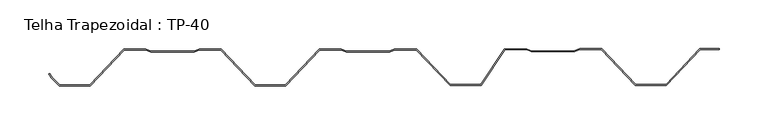
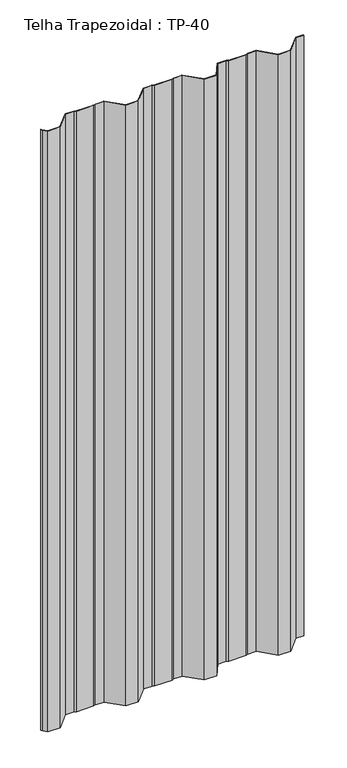
"""IFC4 building model written with IfcOpenShell, lengths in millimetres: proxy geometry, Telha Trapezoidal : TP-40."""

import ifcopenshell
import ifcopenshell.guid

model = None  # the IFC model being written
_history = None  # IfcOwnerHistory: only IFC2X3 demands one
_inside = {}  # id of a spatial element -> (the spatial element, [elements in it])
_under = {}  # id of a project, library or spatial element -> (it, [spatial elements below it])
_declared = {}  # id of a project -> (the project, [libraries it declares])
_typed = {}  # id of a type object -> (the type object, [elements of that type])
_made_of = {}  # id of a material, layer set ... -> (it, [elements and type objects made of it])


def new_model(schema):
    """Start an empty IFC model of exactly this schema.

    Asked for "IFC4X3", IfcOpenShell would pick the latest addendum, in which some entities
    have other attributes; the version numbers below select the first issue.
    IFC2X3 requires an IfcOwnerHistory on every rooted entity: one is made here for all.
    """
    global model, _history
    if schema == "IFC4X3":
        model = ifcopenshell.file(schema_version=(4, 3, 0, 0))
    else:
        model = ifcopenshell.file(schema=schema)
    _inside.clear()
    _under.clear()
    _declared.clear()
    _typed.clear()
    _made_of.clear()
    _history = None
    if model.schema == "IFC2X3":
        org = make("IfcOrganization", Name="unknown")
        user = make(
            "IfcPersonAndOrganization",
            ThePerson=make("IfcPerson", FamilyName="unknown"),
            TheOrganization=org,
        )
        app = make(
            "IfcApplication",
            ApplicationDeveloper=org,
            Version="unknown",
            ApplicationFullName="unknown",
            ApplicationIdentifier="unknown",
        )
        _history = make(
            "IfcOwnerHistory",
            OwningUser=user,
            OwningApplication=app,
            ChangeAction="ADDED",
            CreationDate=0,
        )
    return model


def make(cls, **values):
    """One entity of the class cls with the attributes given. An attribute that is None is left unset."""
    return model.create_entity(
        cls, **{name: value for name, value in values.items() if value is not None}
    )


def rooted(cls, **values):
    """An entity with a GlobalId (a new one), such as an element, a storey or a relation."""
    return make(cls, GlobalId=ifcopenshell.guid.new(), OwnerHistory=_history, **values)


def si_unit(unit_type, name, prefix=None):
    """IfcSIUnit, for example si_unit("LENGTHUNIT", "METRE", prefix="MILLI")."""
    return make("IfcSIUnit", UnitType=unit_type, Prefix=prefix, Name=name)


def assignment(units):
    """IfcUnitAssignment: the units of a project."""
    return None if units is None else make("IfcUnitAssignment", Units=units)


def point(xyz):
    """IfcCartesianPoint."""
    return None if xyz is None else make("IfcCartesianPoint", Coordinates=xyz)


def direction(xyz):
    """IfcDirection."""
    return None if xyz is None else make("IfcDirection", DirectionRatios=xyz)


def frame(location, z_axis=None, x_axis=None):
    """IfcAxis2Placement3D, a coordinate frame: its origin and axes. An axis left out is left unset."""
    return make(
        "IfcAxis2Placement3D",
        Location=point(location),
        Axis=direction(z_axis),
        RefDirection=direction(x_axis),
    )


def origin():
    """The frame at (0, 0, 0) with its axes left unset."""
    return frame((0.0, 0.0, 0.0))


def origin_with_axes():
    """The frame at (0, 0, 0) with the z axis (0, 0, 1) and the x axis (1, 0, 0) written out."""
    return frame((0.0, 0.0, 0.0), z_axis=(0.0, 0.0, 1.0), x_axis=(1.0, 0.0, 0.0))


def place(relative_to, where):
    """IfcLocalPlacement: puts the frame where relative to a parent placement (None: the world)."""
    return make(
        "IfcLocalPlacement", PlacementRelTo=relative_to, RelativePlacement=where
    )


def context(
    kind, dimensions, precision=None, world=None, true_north=None, identifier=None
):
    """IfcGeometricRepresentationContext, for example the 3D "Model" context."""
    return make(
        "IfcGeometricRepresentationContext",
        ContextIdentifier=identifier,
        ContextType=kind,
        CoordinateSpaceDimension=dimensions,
        Precision=precision,
        WorldCoordinateSystem=world,
        TrueNorth=true_north,
    )


def project(units=None, contexts=None):
    """IfcProject with its units and contexts."""
    return rooted(
        "IfcProject",
        Name="project",
        RepresentationContexts=contexts,
        UnitsInContext=assignment(units),
    )


def spatial(cls, under=None, at=None, **own):
    """A site, building, storey or space (cls), placed at a placement, below another one or the project."""
    s = rooted(cls, ObjectPlacement=at, **own)
    if under is not None:
        _under.setdefault(under.id(), (under, []))[1].append(s)
    return s


def polyline(points):
    """IfcPolyline through the points."""
    return make("IfcPolyline", Points=[point(p) for p in points])


def outline(outer, holes=None, kind="AREA"):
    """IfcArbitraryClosedProfileDef: a profile drawn as a closed curve; with holes, ...WithVoids."""
    if holes is None:
        return make("IfcArbitraryClosedProfileDef", ProfileType=kind, OuterCurve=outer)
    return make(
        "IfcArbitraryProfileDefWithVoids",
        ProfileType=kind,
        OuterCurve=outer,
        InnerCurves=holes,
    )


def extrude(swept, where, along, depth):
    """IfcExtrudedAreaSolid: the profile swept, set in the frame where, extruded along a direction by depth."""
    return make(
        "IfcExtrudedAreaSolid",
        SweptArea=swept,
        Position=where,
        ExtrudedDirection=direction(along),
        Depth=depth,
    )


def shape(context_of_items, identifier, shape_type, items):
    """IfcShapeRepresentation: the items that make up one representation, for example the "Body"."""
    return make(
        "IfcShapeRepresentation",
        ContextOfItems=context_of_items,
        RepresentationIdentifier=identifier,
        RepresentationType=shape_type,
        Items=items,
    )


def source(mapping_origin, context_of_items, identifier, shape_type, items):
    """IfcRepresentationMap: a shape defined once, which mapped items show again and again."""
    return make(
        "IfcRepresentationMap",
        MappingOrigin=mapping_origin,
        MappedRepresentation=shape(context_of_items, identifier, shape_type, items),
    )


def transform(
    local_origin,
    x_axis=None,
    y_axis=None,
    z_axis=None,
    scale=None,
    scale2=None,
    scale3=None,
    uniform=True,
):
    """IfcCartesianTransformationOperator3D, or its non-uniform kind. x_axis, y_axis, z_axis: its Axis1, 2, 3."""
    if uniform:
        return make(
            "IfcCartesianTransformationOperator3D",
            Axis1=direction(x_axis),
            Axis2=direction(y_axis),
            LocalOrigin=point(local_origin),
            Scale=scale,
            Axis3=direction(z_axis),
        )
    return make(
        "IfcCartesianTransformationOperator3DnonUniform",
        Axis1=direction(x_axis),
        Axis2=direction(y_axis),
        LocalOrigin=point(local_origin),
        Scale=scale,
        Axis3=direction(z_axis),
        Scale2=scale2,
        Scale3=scale3,
    )


def mapped(mapping_source, mapping_target):
    """IfcMappedItem: shows the shape of a source again, moved by a transform."""
    return make(
        "IfcMappedItem", MappingSource=mapping_source, MappingTarget=mapping_target
    )


def made_of(thing, what):
    """Note that an element or type object is made of a material, layer set ...; save() writes the relation."""
    if what is not None:
        _made_of.setdefault(what.id(), (what, []))[1].append(thing)
    return thing


def element(
    cls,
    number,
    at=None,
    inside=None,
    cuts=None,
    type_object=None,
    material=None,
    context=None,
    identifier="Body",
    shape_type=None,
    held_by="IfcProductDefinitionShape",
    body=None,
    shapes=None,
    **own,
):
    """One element of the class cls, such as IfcWall. Its Tag is "e" and its number.

    at: its placement. inside: the storey or other place that contains it. cuts: it is an
    opening in that element (IfcRelVoidsElement). A single representation is given by context,
    identifier, shape_type and body (its items); several are given by shapes. held_by: the class
    of the entity that holds the representations. save() writes the other relations.
    """
    e = rooted(cls, Tag="e%d" % number, ObjectPlacement=at, **own)
    if body is not None:
        shapes = [shape(context, identifier, shape_type, body)]
    if shapes is not None:
        e.Representation = make(held_by, Representations=shapes)
    if inside is not None:
        _inside.setdefault(inside.id(), (inside, []))[1].append(e)
    if cuts is not None:
        rooted(
            "IfcRelVoidsElement", RelatingBuildingElement=cuts, RelatedOpeningElement=e
        )
    if type_object is not None:
        _typed.setdefault(type_object.id(), (type_object, []))[1].append(e)
    return made_of(e, material)


def aggregate(whole, parts):
    """IfcRelAggregates: a whole, such as a stair, and the parts it consists of."""
    return rooted("IfcRelAggregates", RelatingObject=whole, RelatedObjects=parts)


def save(model, path):
    """Write the relations noted so far, then the file.

    IfcRelAggregates (storeys below a building ...), IfcRelContainedInSpatialStructure (elements
    in a storey), IfcRelDefinesByType, IfcRelAssociatesMaterial and IfcRelDeclares: one each for
    every whole, place, type object, material and project.
    """
    for whole, parts in _under.values():
        aggregate(whole, parts)
    for where, things in _inside.values():
        rooted(
            "IfcRelContainedInSpatialStructure",
            RelatedElements=things,
            RelatingStructure=where,
        )
    for kind, things in _typed.values():
        rooted("IfcRelDefinesByType", RelatedObjects=things, RelatingType=kind)
    for what, things in _made_of.values():
        rooted("IfcRelAssociatesMaterial", RelatedObjects=things, RelatingMaterial=what)
    for by, libraries in _declared.values():
        rooted("IfcRelDeclares", RelatingContext=by, RelatedDefinitions=libraries)
    model.write(path)


def telha_trapezoidal_tp_40_cb708548(model_context):
    return source(origin(), model_context, "Body", "SweptSolid", [
        extrude(outline(polyline([(-515.792684, -23.7684925), (-513.3692996, -27.9558852), (-505.4791462, -35.8296945), (-474.5208538, -35.797597), (-439.8508858, 0.9881094), (-417.1533008, 1.0116422), (-412.0470561, -1.024717), (-367.9090825, -0.9789548), (-362.8070714, 1.0679883), (-340.1094864, 1.0915211), (-305.3633143, -35.6222149), (-274.4390384, -35.5901526), (-239.7690704, 1.1955538), (-217.0714854, 1.2190866), (-211.9652407, -0.8172726), (-167.8272671, -0.7715105), (-162.725256, 1.2754326), (-140.027671, 1.2989654), (-105.2814989, -35.4147705), (-74.4614461, -35.3828164), (-49.9997833, 1.4028901), (-27.1979752, 1.4265309), (-22.0917305, -0.6098283), (22.0462431, -0.5640661), (27.1482542, 1.482877), (49.8458392, 1.5064098), (84.5920113, -35.2073262), (115.5162872, -35.1752639), (150.1862552, 1.6104425), (169.9660994, 1.6309502), (169.9660994, 0.6309497), (150.6183383, 0.6108899), (115.9483703, -36.1748165), (84.1620018, -36.2077725), (49.4158298, 0.5059634), (27.3418733, 0.4830772), (22.2398622, -1.5638659), (-22.283276, -1.6100274), (-27.3895207, 0.4263318), (-49.4634771, 0.4034456), (-73.9251399, -36.3822609), (-105.7115084, -36.4152169), (-140.4576804, 0.2985191), (-162.5316369, 0.2756328), (-167.633648, -1.7713103), (-212.1567862, -1.8174718), (-217.2630309, 0.2188875), (-239.3369873, 0.1960012), (-274.0069553, -36.5897052), (-305.7933238, -36.6226612), (-340.5394958, 0.0910747), (-362.6134523, 0.0681885), (-367.7154634, -1.9787546), (-412.2386016, -2.0249161), (-417.3448463, 0.0114431), (-439.4188027, -0.0114431), (-474.0887707, -36.7971496), (-505.8923228, -36.8301234), (-514.1688617, -28.5707289), (-516.6581905, -24.2693901), (-515.792684, -23.7684925)])), origin_with_axes(), (0.0, 0.0, 1.0), 1624.4885145),
    ])


if __name__ == "__main__":
    model = new_model("IFC4")
    model_context = context("Model", 3, world=origin())
    ifc_project = project(units=[si_unit("LENGTHUNIT", "METRE", prefix="MILLI")], contexts=[model_context])
    site = spatial("IfcSite", under=ifc_project)
    building = spatial("IfcBuilding", under=site)
    placement = place(None, origin())
    telha_trapezoidal_tp_40_shape = telha_trapezoidal_tp_40_cb708548(model_context)
    element("IfcBuildingElementProxy", 1, Name="Telha Trapezoidal : TP-40", ObjectType="Telha Trapezoidal : TP-40", at=placement, inside=building, context=model_context, shape_type="MappedRepresentation", body=[
        mapped(telha_trapezoidal_tp_40_shape, transform((0.0, 0.0, 0.0), x_axis=(1.0, 0.0, 0.0), y_axis=(0.0, 1.0, 0.0), z_axis=(0.0, 0.0, 1.0))),
    ])
    save(model, "model.ifc")
